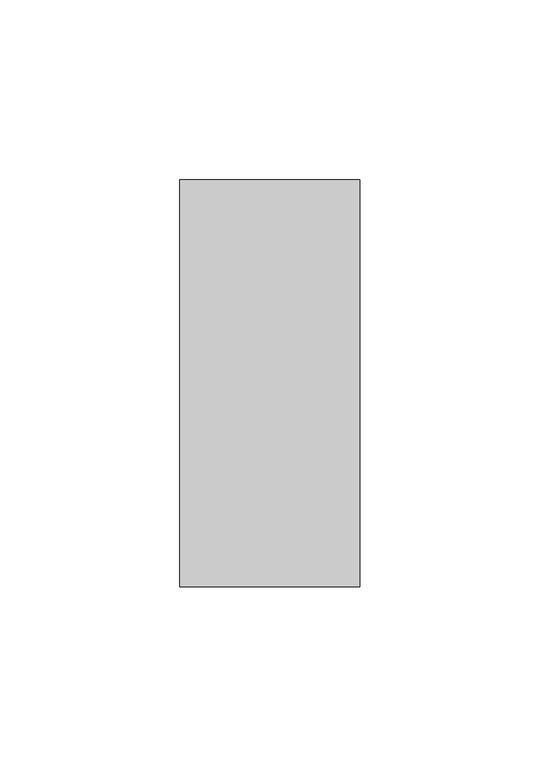
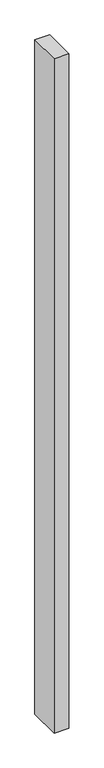
"""IFC4 building model written with IfcOpenShell, lengths in millimetres: member geometry."""

from ifc_helpers import new_model, si_unit, frame, origin, place, context, project, spatial, polyline, outline, extrude, source, transform, mapped, element, save


def member_53a48b24(model_context):
    return source(origin(), model_context, "Body", "SweptSolid", [
        extrude(outline(polyline([(-50.0, -22.0), (-50.0, 91.0), (0.0, 91.0), (0.0, -22.0), (-50.0, -22.0)])), frame((0.0, 0.0, -2425.0), z_axis=(0.0, 0.0, 1.0), x_axis=(1.0, 0.0, 0.0)), (0.0, 0.0, 1.0), 2425.0),
    ])


if __name__ == "__main__":
    model = new_model("IFC4")
    model_context = context("Model", 3, world=origin())
    ifc_project = project(units=[si_unit("LENGTHUNIT", "METRE", prefix="MILLI")], contexts=[model_context])
    site = spatial("IfcSite", under=ifc_project)
    building = spatial("IfcBuilding", under=site)
    placement = place(None, origin())
    member_shape = member_53a48b24(model_context)
    element("IfcMember", 1, at=placement, inside=building, context=model_context, shape_type="MappedRepresentation", body=[
        mapped(member_shape, transform((0.0, 0.0, 0.0), x_axis=(1.0, 0.0, 0.0), y_axis=(0.0, 1.0, 0.0), z_axis=(0.0, 0.0, 1.0))),
    ])
    save(model, "model.ifc")
